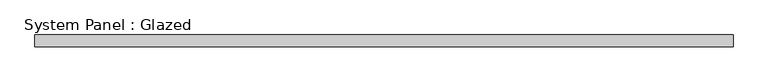
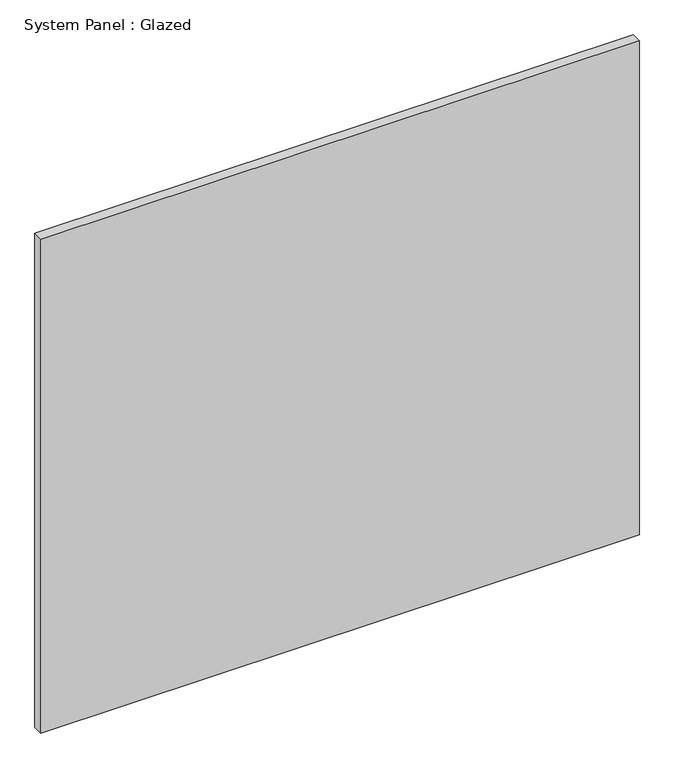
"""IFC4 building model written with IfcOpenShell, lengths in millimetres: plate geometry, System Panel : Glazed."""

from ifc_helpers import new_model, si_unit, origin, origin_with_axes, place, context, project, spatial, polyline, outline, extrude, source, transform, mapped, element, save


def system_panel_glazed_8724d9a0(model_context):
    return source(origin(), model_context, "Body", "SweptSolid", [
        extrude(outline(polyline([(730.8333333, 24.5), (-730.8333333, 24.5), (-730.8333333, 49.5), (730.8333333, 49.5), (730.8333333, 24.5)])), origin_with_axes(), (0.0, 0.0, 1.0), 1275.0),
    ])


if __name__ == "__main__":
    model = new_model("IFC4")
    model_context = context("Model", 3, world=origin())
    ifc_project = project(units=[si_unit("LENGTHUNIT", "METRE", prefix="MILLI")], contexts=[model_context])
    site = spatial("IfcSite", under=ifc_project)
    building = spatial("IfcBuilding", under=site)
    placement = place(None, origin())
    system_panel_glazed_shape = system_panel_glazed_8724d9a0(model_context)
    element("IfcPlate", 1, ObjectType="System Panel : Glazed", at=placement, inside=building, context=model_context, shape_type="MappedRepresentation", body=[
        mapped(system_panel_glazed_shape, transform((0.0, 0.0, 0.0), x_axis=(1.0, 0.0, 0.0), y_axis=(0.0, 1.0, 0.0), z_axis=(0.0, 0.0, 1.0))),
    ])
    save(model, "model.ifc")
